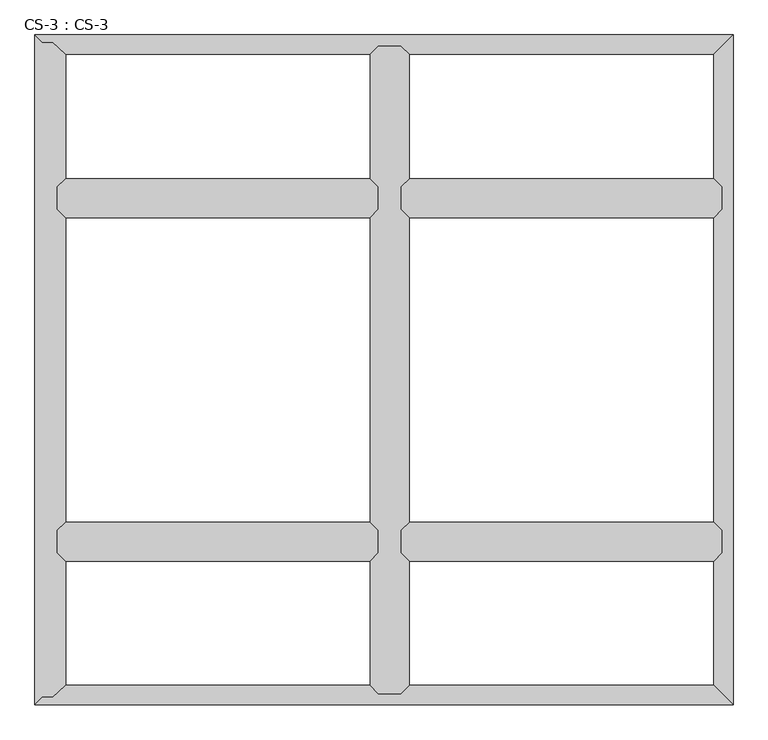
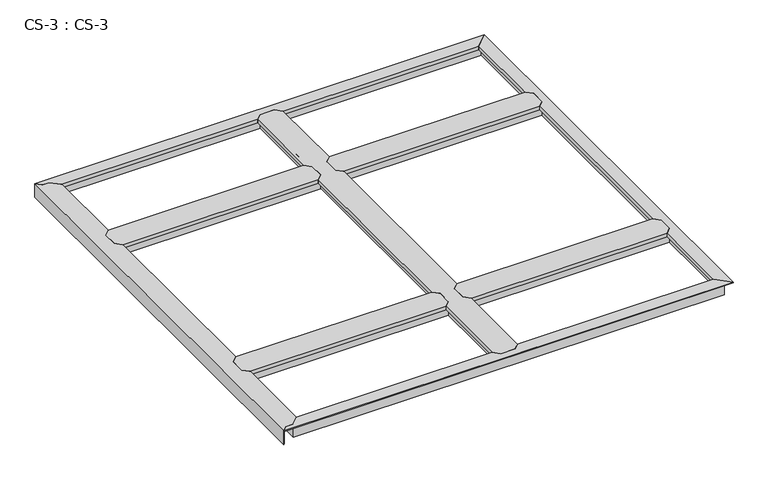
"""IFC4 building model written with IfcOpenShell, lengths in millimetres: proxy geometry, CS-3 : CS-3."""

from ifc_helpers import new_model, si_unit, origin, place, context, project, spatial, faceted_brep, source, transform, mapped, element, save


def cs_3_cs_3_360f7a2a(model_context):
    return source(origin(), model_context, "Body", "Brep", [
        faceted_brep([(1082.04, 1948.18, 46.355), (1082.04, 1948.18, 0.0), (1075.055, 1948.18, 0.0), (1075.055, 1948.18, 63.5), (1022.985, 1948.18, 63.5), (1022.985, 1948.18, 0.0), (1016.0, 1948.18, 0.0), (1016.0, 1948.18, 46.355), (1016.0, 1948.18, 66.675), (1082.04, 1948.18, 66.675), (1016.0, 33.02, 46.355), (1016.0, 33.02, 0.0), (1022.985, 33.02, 0.0), (1022.985, 33.02, 63.5), (1075.055, 33.02, 63.5), (1075.055, 33.02, 0.0), (1082.04, 33.02, 0.0), (1082.04, 33.02, 46.355), (1082.04, 33.02, 66.675), (1016.0, 33.02, 66.675), (991.362, 57.658, 49.8094), (991.362, 57.658, 66.675), (991.362, 424.942, 66.675), (991.362, 424.942, 49.8094), (991.362, 1923.542, 66.675), (991.362, 1923.542, 49.8094), (991.362, 1556.258, 49.8094), (991.362, 1556.258, 66.675), (991.362, 540.258, 49.8094), (991.362, 540.258, 66.675), (991.362, 1440.942, 66.675), (991.362, 1440.942, 49.8094), (992.886, 56.134, 49.8094), (992.886, 426.466, 49.8094), (992.886, 1925.066, 49.8094), (992.886, 1554.734, 49.8094), (992.886, 538.734, 49.8094), (992.886, 1442.466, 49.8094), (992.886, 56.134, 64.643), (992.886, 426.466, 64.643), (992.886, 1925.066, 64.643), (992.886, 1554.734, 64.643), (992.886, 538.734, 64.643), (992.886, 1442.466, 64.643), (1003.173, 45.847, 64.643), (1003.173, 436.753, 64.643), (1003.173, 1935.353, 64.643), (1003.173, 1544.447, 64.643), (1003.173, 528.447, 64.643), (1003.173, 1452.753, 64.643), (1003.173, 45.847, 46.355), (1003.173, 436.753, 46.355), (1003.173, 1935.353, 46.355), (1003.173, 1544.447, 46.355), (1003.173, 528.447, 46.355), (1003.173, 1452.753, 46.355), (1016.0, 449.58, 46.355), (1016.0, 1531.62, 46.355), (1016.0, 515.62, 46.355), (1016.0, 1465.58, 46.355), (1016.0, 449.58, 66.675), (1016.0, 515.62, 66.675), (1016.0, 1465.58, 66.675), (1016.0, 1531.62, 66.675), (1082.04, 1531.62, 46.355), (1082.04, 1531.62, 66.675), (1082.04, 1465.58, 66.675), (1082.04, 1465.58, 46.355), (1082.04, 515.62, 46.355), (1082.04, 515.62, 66.675), (1082.04, 449.58, 66.675), (1082.04, 449.58, 46.355), (1094.867, 45.847, 46.355), (1094.867, 436.753, 46.355), (1094.867, 1935.353, 46.355), (1094.867, 1544.447, 46.355), (1094.867, 528.447, 46.355), (1094.867, 1452.753, 46.355), (1094.867, 45.847, 64.643), (1094.867, 436.753, 64.643), (1094.867, 1935.353, 64.643), (1094.867, 1544.447, 64.643), (1094.867, 528.447, 64.643), (1094.867, 1452.753, 64.643), (1105.154, 56.134, 64.643), (1105.154, 426.466, 64.643), (1105.154, 1925.066, 64.643), (1105.154, 1554.734, 64.643), (1105.154, 538.734, 64.643), (1105.154, 1442.466, 64.643), (1105.154, 56.134, 49.8094), (1105.154, 426.466, 49.8094), (1105.154, 1925.066, 49.8094), (1105.154, 1554.734, 49.8094), (1105.154, 538.734, 49.8094), (1105.154, 1442.466, 49.8094), (1106.678, 57.658, 49.8094), (1106.678, 424.942, 49.8094), (1106.678, 1923.542, 49.8094), (1106.678, 1556.258, 49.8094), (1106.678, 540.258, 49.8094), (1106.678, 1440.942, 49.8094), (1106.678, 57.658, 66.675), (1106.678, 424.942, 66.675), (1106.678, 1923.542, 66.675), (1106.678, 1556.258, 66.675), (1106.678, 540.258, 66.675), (1106.678, 1440.942, 66.675)], [[[0, 1, 2, 3, 4, 5, 6, 7, 8, 9]], [[10, 11, 12, 13, 14, 15, 16, 17, 18, 19]], [[20, 21, 22, 23]], [[24, 25, 26, 27]], [[28, 29, 30, 31]], [[32, 20, 23, 33]], [[25, 34, 35, 26]], [[36, 28, 31, 37]], [[38, 32, 33, 39]], [[34, 40, 41, 35]], [[42, 36, 37, 43]], [[44, 38, 39, 45]], [[40, 46, 47, 41]], [[48, 42, 43, 49]], [[50, 44, 45, 51]], [[46, 52, 53, 47]], [[54, 48, 49, 55]], [[10, 50, 51, 56]], [[52, 7, 57, 53]], [[58, 54, 55, 59]], [[7, 6, 11, 10, 56, 60, 61, 58, 59, 62, 63, 57]], [[6, 5, 12, 11]], [[5, 4, 13, 12]], [[4, 3, 14, 13]], [[3, 2, 15, 14]], [[2, 1, 16, 15]], [[1, 0, 64, 65, 66, 67, 68, 69, 70, 71, 17, 16]], [[72, 17, 71, 73]], [[0, 74, 75, 64]], [[76, 68, 67, 77]], [[78, 72, 73, 79]], [[74, 80, 81, 75]], [[82, 76, 77, 83]], [[84, 78, 79, 85]], [[80, 86, 87, 81]], [[88, 82, 83, 89]], [[90, 84, 85, 91]], [[86, 92, 93, 87]], [[94, 88, 89, 95]], [[96, 90, 91, 97]], [[92, 98, 99, 93]], [[100, 94, 95, 101]], [[102, 96, 97, 103]], [[98, 104, 105, 99]], [[106, 100, 101, 107]], [[9, 8, 24, 27, 63, 62, 30, 29, 61, 60, 22, 21, 19, 18, 102, 103, 70, 69, 106, 107, 66, 65, 105, 104]], [[10, 19, 21, 20, 32, 38, 44, 50]], [[18, 17, 72, 78, 84, 90, 96, 102]], [[0, 9, 104, 98, 92, 86, 80, 74]], [[8, 7, 52, 46, 40, 34, 25, 24]], [[60, 56, 51, 45, 39, 33, 23, 22]], [[58, 61, 29, 28, 36, 42, 48, 54]], [[62, 59, 55, 49, 43, 37, 31, 30]], [[57, 63, 27, 26, 35, 41, 47, 53]], [[69, 68, 76, 82, 88, 94, 100, 106]], [[71, 70, 103, 97, 91, 85, 79, 73]], [[65, 64, 75, 81, 87, 93, 99, 105]], [[67, 66, 107, 101, 95, 89, 83, 77]]]),
        faceted_brep([(2032.0, 449.58, 46.355), (2032.0, 449.58, 0.0), (2032.0, 456.565, 0.0), (2032.0, 456.565, 63.5), (2032.0, 508.635, 63.5), (2032.0, 508.635, 0.0), (2032.0, 515.62, 0.0), (2032.0, 515.62, 46.355), (2032.0, 515.62, 66.675), (2032.0, 449.58, 66.675), (1082.04, 515.62, 46.355), (1082.04, 515.62, 0.0), (1082.04, 508.635, 0.0), (1082.04, 508.635, 63.5), (1082.04, 456.565, 63.5), (1082.04, 456.565, 0.0), (1082.04, 449.58, 0.0), (1082.04, 449.58, 46.355), (1082.04, 449.58, 66.675), (1082.04, 515.62, 66.675), (1106.678, 540.258, 66.675), (2007.362, 540.258, 66.675), (2007.362, 540.258, 49.8094), (1106.678, 540.258, 49.8094), (2008.886, 538.734, 49.8094), (1105.154, 538.734, 49.8094), (2008.886, 538.734, 64.643), (1105.154, 538.734, 64.643), (2019.173, 528.447, 64.643), (1094.867, 528.447, 64.643), (2019.173, 528.447, 46.355), (1094.867, 528.447, 46.355), (2019.173, 436.753, 46.355), (1094.867, 436.753, 46.355), (2019.173, 436.753, 64.643), (1094.867, 436.753, 64.643), (2008.886, 426.466, 64.643), (1105.154, 426.466, 64.643), (2008.886, 426.466, 49.8094), (1105.154, 426.466, 49.8094), (2007.362, 424.942, 49.8094), (1106.678, 424.942, 49.8094), (2007.362, 424.942, 66.675), (1106.678, 424.942, 66.675)], [[[0, 1, 2, 3, 4, 5, 6, 7, 8, 9]], [[10, 11, 12, 13, 14, 15, 16, 17, 18, 19]], [[20, 21, 22, 23]], [[23, 22, 24, 25]], [[25, 24, 26, 27]], [[27, 26, 28, 29]], [[29, 28, 30, 31]], [[7, 10, 31, 30]], [[7, 6, 11, 10]], [[6, 5, 12, 11]], [[5, 4, 13, 12]], [[4, 3, 14, 13]], [[3, 2, 15, 14]], [[2, 1, 16, 15]], [[1, 0, 17, 16]], [[17, 0, 32, 33]], [[33, 32, 34, 35]], [[35, 34, 36, 37]], [[37, 36, 38, 39]], [[39, 38, 40, 41]], [[41, 40, 42, 43]], [[9, 8, 21, 20, 19, 18, 43, 42]], [[10, 19, 20, 23, 25, 27, 29, 31]], [[18, 17, 33, 35, 37, 39, 41, 43]], [[0, 9, 42, 40, 38, 36, 34, 32]], [[8, 7, 30, 28, 26, 24, 22, 21]]]),
        faceted_brep([(2032.0, 1465.58, 46.355), (2032.0, 1465.58, 0.0), (2032.0, 1472.565, 0.0), (2032.0, 1472.565, 63.5), (2032.0, 1524.635, 63.5), (2032.0, 1524.635, 0.0), (2032.0, 1531.62, 0.0), (2032.0, 1531.62, 46.355), (2032.0, 1531.62, 66.675), (2032.0, 1465.58, 66.675), (1082.04, 1531.62, 46.355), (1082.04, 1531.62, 0.0), (1082.04, 1524.635, 0.0), (1082.04, 1524.635, 63.5), (1082.04, 1472.565, 63.5), (1082.04, 1472.565, 0.0), (1082.04, 1465.58, 0.0), (1082.04, 1465.58, 46.355), (1082.04, 1465.58, 66.675), (1082.04, 1531.62, 66.675), (1106.678, 1556.258, 66.675), (2007.362, 1556.258, 66.675), (2007.362, 1556.258, 49.8094), (1106.678, 1556.258, 49.8094), (2008.886, 1554.734, 49.8094), (1105.154, 1554.734, 49.8094), (2008.886, 1554.734, 64.643), (1105.154, 1554.734, 64.643), (2019.173, 1544.447, 64.643), (1094.867, 1544.447, 64.643), (2019.173, 1544.447, 46.355), (1094.867, 1544.447, 46.355), (2019.173, 1452.753, 46.355), (1094.867, 1452.753, 46.355), (2019.173, 1452.753, 64.643), (1094.867, 1452.753, 64.643), (2008.886, 1442.466, 64.643), (1105.154, 1442.466, 64.643), (2008.886, 1442.466, 49.8094), (1105.154, 1442.466, 49.8094), (2007.362, 1440.942, 49.8094), (1106.678, 1440.942, 49.8094), (2007.362, 1440.942, 66.675), (1106.678, 1440.942, 66.675)], [[[0, 1, 2, 3, 4, 5, 6, 7, 8, 9]], [[10, 11, 12, 13, 14, 15, 16, 17, 18, 19]], [[20, 21, 22, 23]], [[23, 22, 24, 25]], [[25, 24, 26, 27]], [[27, 26, 28, 29]], [[29, 28, 30, 31]], [[7, 10, 31, 30]], [[7, 6, 11, 10]], [[6, 5, 12, 11]], [[5, 4, 13, 12]], [[4, 3, 14, 13]], [[3, 2, 15, 14]], [[2, 1, 16, 15]], [[1, 0, 17, 16]], [[17, 0, 32, 33]], [[33, 32, 34, 35]], [[35, 34, 36, 37]], [[37, 36, 38, 39]], [[39, 38, 40, 41]], [[41, 40, 42, 43]], [[9, 8, 21, 20, 19, 18, 43, 42]], [[10, 19, 20, 23, 25, 27, 29, 31]], [[18, 17, 33, 35, 37, 39, 41, 43]], [[0, 9, 42, 40, 38, 36, 34, 32]], [[8, 7, 30, 28, 26, 24, 22, 21]]]),
        faceted_brep([(1016.0, 449.58, 46.355), (1016.0, 449.58, 0.0), (1016.0, 456.565, 0.0), (1016.0, 456.565, 63.5), (1016.0, 508.635, 63.5), (1016.0, 508.635, 0.0), (1016.0, 515.62, 0.0), (1016.0, 515.62, 46.355), (1016.0, 515.62, 66.675), (1016.0, 449.58, 66.675), (66.04, 515.62, 46.355), (66.04, 515.62, 0.0), (66.04, 508.635, 0.0), (66.04, 508.635, 63.5), (66.04, 456.565, 63.5), (66.04, 456.565, 0.0), (66.04, 449.58, 0.0), (66.04, 449.58, 46.355), (66.04, 449.58, 66.675), (66.04, 515.62, 66.675), (90.678, 540.258, 66.675), (991.362, 540.258, 66.675), (991.362, 540.258, 49.8094), (90.678, 540.258, 49.8094), (992.886, 538.734, 49.8094), (89.154, 538.734, 49.8094), (992.886, 538.734, 64.643), (89.154, 538.734, 64.643), (1003.173, 528.447, 64.643), (78.867, 528.447, 64.643), (1003.173, 528.447, 46.355), (78.867, 528.447, 46.355), (1003.173, 436.753, 46.355), (78.867, 436.753, 46.355), (1003.173, 436.753, 64.643), (78.867, 436.753, 64.643), (992.886, 426.466, 64.643), (89.154, 426.466, 64.643), (992.886, 426.466, 49.8094), (89.154, 426.466, 49.8094), (991.362, 424.942, 49.8094), (90.678, 424.942, 49.8094), (991.362, 424.942, 66.675), (90.678, 424.942, 66.675)], [[[0, 1, 2, 3, 4, 5, 6, 7, 8, 9]], [[10, 11, 12, 13, 14, 15, 16, 17, 18, 19]], [[20, 21, 22, 23]], [[23, 22, 24, 25]], [[25, 24, 26, 27]], [[27, 26, 28, 29]], [[29, 28, 30, 31]], [[7, 10, 31, 30]], [[7, 6, 11, 10]], [[6, 5, 12, 11]], [[5, 4, 13, 12]], [[4, 3, 14, 13]], [[3, 2, 15, 14]], [[2, 1, 16, 15]], [[1, 0, 17, 16]], [[17, 0, 32, 33]], [[33, 32, 34, 35]], [[35, 34, 36, 37]], [[37, 36, 38, 39]], [[39, 38, 40, 41]], [[41, 40, 42, 43]], [[9, 8, 21, 20, 19, 18, 43, 42]], [[10, 19, 20, 23, 25, 27, 29, 31]], [[18, 17, 33, 35, 37, 39, 41, 43]], [[0, 9, 42, 40, 38, 36, 34, 32]], [[8, 7, 30, 28, 26, 24, 22, 21]]]),
        faceted_brep([(1016.0, 1465.58, 46.355), (1016.0, 1465.58, 0.0), (1016.0, 1472.565, 0.0), (1016.0, 1472.565, 63.5), (1016.0, 1524.635, 63.5), (1016.0, 1524.635, 0.0), (1016.0, 1531.62, 0.0), (1016.0, 1531.62, 46.355), (1016.0, 1531.62, 66.675), (1016.0, 1465.58, 66.675), (66.04, 1531.62, 46.355), (66.04, 1531.62, 0.0), (66.04, 1524.635, 0.0), (66.04, 1524.635, 63.5), (66.04, 1472.565, 63.5), (66.04, 1472.565, 0.0), (66.04, 1465.58, 0.0), (66.04, 1465.58, 46.355), (66.04, 1465.58, 66.675), (66.04, 1531.62, 66.675), (90.678, 1556.258, 66.675), (991.362, 1556.258, 66.675), (991.362, 1556.258, 49.8094), (90.678, 1556.258, 49.8094), (992.886, 1554.734, 49.8094), (89.154, 1554.734, 49.8094), (992.886, 1554.734, 64.643), (89.154, 1554.734, 64.643), (1003.173, 1544.447, 64.643), (78.867, 1544.447, 64.643), (1003.173, 1544.447, 46.355), (78.867, 1544.447, 46.355), (1003.173, 1452.753, 46.355), (78.867, 1452.753, 46.355), (1003.173, 1452.753, 64.643), (78.867, 1452.753, 64.643), (992.886, 1442.466, 64.643), (89.154, 1442.466, 64.643), (992.886, 1442.466, 49.8094), (89.154, 1442.466, 49.8094), (991.362, 1440.942, 49.8094), (90.678, 1440.942, 49.8094), (991.362, 1440.942, 66.675), (90.678, 1440.942, 66.675)], [[[0, 1, 2, 3, 4, 5, 6, 7, 8, 9]], [[10, 11, 12, 13, 14, 15, 16, 17, 18, 19]], [[20, 21, 22, 23]], [[23, 22, 24, 25]], [[25, 24, 26, 27]], [[27, 26, 28, 29]], [[29, 28, 30, 31]], [[7, 10, 31, 30]], [[7, 6, 11, 10]], [[6, 5, 12, 11]], [[5, 4, 13, 12]], [[4, 3, 14, 13]], [[3, 2, 15, 14]], [[2, 1, 16, 15]], [[1, 0, 17, 16]], [[17, 0, 32, 33]], [[33, 32, 34, 35]], [[35, 34, 36, 37]], [[37, 36, 38, 39]], [[39, 38, 40, 41]], [[41, 40, 42, 43]], [[9, 8, 21, 20, 19, 18, 43, 42]], [[10, 19, 20, 23, 25, 27, 29, 31]], [[18, 17, 33, 35, 37, 39, 41, 43]], [[0, 9, 42, 40, 38, 36, 34, 32]], [[8, 7, 30, 28, 26, 24, 22, 21]]]),
        faceted_brep([(0.0, 0.0, 66.675), (2065.02, 0.0, 66.675), (2007.362, 57.658, 66.675), (1106.678, 57.658, 66.675), (1082.04, 33.02, 66.675), (1016.0, 33.02, 66.675), (991.362, 57.658, 66.675), (90.678, 57.658, 66.675), (53.34, 21.59, 66.675), (21.59, 21.59, 66.675), (0.0, 0.0, 63.5), (2065.02, 0.0, 63.5), (21.59, 21.59, 63.5), (53.34, 21.59, 63.5), (57.9415141, 26.035, 63.5), (2038.985, 26.035, 63.5), (2038.985, 26.035, 0.0), (57.9415141, 26.035, 0.0), (65.1724648, 33.02, 0.0), (2032.0, 33.02, 0.0), (2032.0, 33.02, 46.355), (65.1724648, 33.02, 46.355), (1016.0, 33.02, 46.355), (1082.04, 33.02, 46.355), (2019.173, 45.847, 46.355), (1094.867, 45.847, 46.355), (78.4511197, 45.847, 46.355), (1003.173, 45.847, 46.355), (2019.173, 45.847, 64.643), (1094.867, 45.847, 64.643), (78.4511197, 45.847, 64.643), (1003.173, 45.847, 64.643), (2008.886, 56.134, 64.643), (1105.154, 56.134, 64.643), (89.100338, 56.134, 64.643), (992.886, 56.134, 64.643), (2008.886, 56.134, 49.8094), (1105.154, 56.134, 49.8094), (89.100338, 56.134, 49.8094), (992.886, 56.134, 49.8094), (2007.362, 57.658, 49.8094), (1106.678, 57.658, 49.8094), (90.678, 57.658, 49.8094), (991.362, 57.658, 49.8094)], [[[0, 1, 2, 3, 4, 5, 6, 7, 8, 9]], [[1, 0, 10, 11]], [[11, 10, 12, 13, 14, 15]], [[16, 15, 14, 17]], [[18, 19, 16, 17]], [[20, 19, 18, 21, 22, 5, 4, 23]], [[24, 20, 23, 25]], [[21, 26, 27, 22]], [[28, 24, 25, 29]], [[26, 30, 31, 27]], [[32, 28, 29, 33]], [[30, 34, 35, 31]], [[36, 32, 33, 37]], [[34, 38, 39, 35]], [[40, 36, 37, 41]], [[38, 42, 43, 39]], [[2, 40, 41, 3]], [[42, 7, 6, 43]], [[2, 1, 11, 15, 16, 19, 20, 24, 28, 32, 36, 40]], [[12, 9, 8, 13]], [[13, 8, 7, 42, 38, 34, 30, 26, 21, 18, 17, 14]], [[9, 12, 10, 0]], [[5, 22, 27, 31, 35, 39, 43, 6]], [[23, 4, 3, 41, 37, 33, 29, 25]]]),
        faceted_brep([(2065.02, 0.0, 66.675), (2065.02, 1981.2, 66.675), (2007.362, 1923.542, 66.675), (2007.362, 1556.258, 66.675), (2032.0, 1531.62, 66.675), (2032.0, 1465.58, 66.675), (2007.362, 1440.942, 66.675), (2007.362, 540.258, 66.675), (2032.0, 515.62, 66.675), (2032.0, 449.58, 66.675), (2007.362, 424.942, 66.675), (2007.362, 57.658, 66.675), (2065.02, 0.0, 63.5), (2065.02, 1981.2, 63.5), (2038.985, 26.035, 63.5), (2038.985, 1955.165, 63.5), (2038.985, 1955.165, 0.0), (2038.985, 26.035, 0.0), (2032.0, 33.02, 0.0), (2032.0, 1948.18, 0.0), (2032.0, 1948.18, 46.355), (2032.0, 33.02, 46.355), (2032.0, 449.58, 46.355), (2032.0, 515.62, 46.355), (2032.0, 1465.58, 46.355), (2032.0, 1531.62, 46.355), (2019.173, 1935.353, 46.355), (2019.173, 1544.447, 46.355), (2019.173, 45.847, 46.355), (2019.173, 436.753, 46.355), (2019.173, 1452.753, 46.355), (2019.173, 528.447, 46.355), (2019.173, 1935.353, 64.643), (2019.173, 1544.447, 64.643), (2019.173, 45.847, 64.643), (2019.173, 436.753, 64.643), (2019.173, 1452.753, 64.643), (2019.173, 528.447, 64.643), (2008.886, 1925.066, 64.643), (2008.886, 1554.734, 64.643), (2008.886, 56.134, 64.643), (2008.886, 426.466, 64.643), (2008.886, 1442.466, 64.643), (2008.886, 538.734, 64.643), (2008.886, 1925.066, 49.8094), (2008.886, 1554.734, 49.8094), (2008.886, 56.134, 49.8094), (2008.886, 426.466, 49.8094), (2008.886, 1442.466, 49.8094), (2008.886, 538.734, 49.8094), (2007.362, 1923.542, 49.8094), (2007.362, 1556.258, 49.8094), (2007.362, 57.658, 49.8094), (2007.362, 424.942, 49.8094), (2007.362, 1440.942, 49.8094), (2007.362, 540.258, 49.8094)], [[[0, 1, 2, 3, 4, 5, 6, 7, 8, 9, 10, 11]], [[1, 0, 12, 13]], [[13, 12, 14, 15]], [[16, 15, 14, 17]], [[18, 19, 16, 17]], [[20, 19, 18, 21, 22, 9, 8, 23, 24, 5, 4, 25]], [[26, 20, 25, 27]], [[21, 28, 29, 22]], [[30, 24, 23, 31]], [[32, 26, 27, 33]], [[28, 34, 35, 29]], [[36, 30, 31, 37]], [[38, 32, 33, 39]], [[34, 40, 41, 35]], [[42, 36, 37, 43]], [[44, 38, 39, 45]], [[40, 46, 47, 41]], [[48, 42, 43, 49]], [[50, 44, 45, 51]], [[46, 52, 53, 47]], [[54, 48, 49, 55]], [[2, 50, 51, 3]], [[52, 11, 10, 53]], [[6, 54, 55, 7]], [[2, 1, 13, 15, 16, 19, 20, 26, 32, 38, 44, 50]], [[0, 11, 52, 46, 40, 34, 28, 21, 18, 17, 14, 12]], [[5, 24, 30, 36, 42, 48, 54, 6]], [[25, 4, 3, 51, 45, 39, 33, 27]], [[9, 22, 29, 35, 41, 47, 53, 10]], [[23, 8, 7, 55, 49, 43, 37, 31]]]),
        faceted_brep([(2065.02, 1981.2, 66.675), (0.0, 1981.2, 66.675), (21.59, 1959.61, 66.675), (53.34, 1959.61, 66.675), (90.678, 1923.542, 66.675), (991.362, 1923.542, 66.675), (1016.0, 1948.18, 66.675), (1082.04, 1948.18, 66.675), (1106.678, 1923.542, 66.675), (2007.362, 1923.542, 66.675), (2065.02, 1981.2, 63.5), (0.0, 1981.2, 63.5), (2038.985, 1955.165, 63.5), (57.9415141, 1955.165, 63.5), (53.34, 1959.61, 63.5), (21.59, 1959.61, 63.5), (57.9415141, 1955.165, 0.0), (2038.985, 1955.165, 0.0), (2032.0, 1948.18, 0.0), (65.1724648, 1948.18, 0.0), (65.1724648, 1948.18, 46.355), (2032.0, 1948.18, 46.355), (1082.04, 1948.18, 46.355), (1016.0, 1948.18, 46.355), (78.4511197, 1935.353, 46.355), (1003.173, 1935.353, 46.355), (2019.173, 1935.353, 46.355), (1094.867, 1935.353, 46.355), (78.4511197, 1935.353, 64.643), (1003.173, 1935.353, 64.643), (2019.173, 1935.353, 64.643), (1094.867, 1935.353, 64.643), (89.100338, 1925.066, 64.643), (992.886, 1925.066, 64.643), (2008.886, 1925.066, 64.643), (1105.154, 1925.066, 64.643), (89.100338, 1925.066, 49.8094), (992.886, 1925.066, 49.8094), (2008.886, 1925.066, 49.8094), (1105.154, 1925.066, 49.8094), (90.678, 1923.542, 49.8094), (991.362, 1923.542, 49.8094), (2007.362, 1923.542, 49.8094), (1106.678, 1923.542, 49.8094)], [[[0, 1, 2, 3, 4, 5, 6, 7, 8, 9]], [[1, 0, 10, 11]], [[11, 10, 12, 13, 14, 15]], [[16, 13, 12, 17]], [[18, 19, 16, 17]], [[20, 19, 18, 21, 22, 7, 6, 23]], [[24, 20, 23, 25]], [[21, 26, 27, 22]], [[28, 24, 25, 29]], [[26, 30, 31, 27]], [[32, 28, 29, 33]], [[30, 34, 35, 31]], [[36, 32, 33, 37]], [[34, 38, 39, 35]], [[40, 36, 37, 41]], [[38, 42, 43, 39]], [[4, 40, 41, 5]], [[42, 9, 8, 43]], [[15, 2, 1, 11]], [[3, 14, 13, 16, 19, 20, 24, 28, 32, 36, 40, 4]], [[2, 15, 14, 3]], [[0, 9, 42, 38, 34, 30, 26, 21, 18, 17, 12, 10]], [[7, 22, 27, 31, 35, 39, 43, 8]], [[23, 6, 5, 41, 37, 33, 29, 25]]]),
        faceted_brep([(0.0, 0.0, 0.0), (0.0, 1981.2, 0.0), (6.985, 1974.215, 0.0), (6.985, 6.985, 0.0), (6.985, 6.985, 63.5), (6.985, 1974.215, 63.5), (21.59, 21.59, 63.5), (21.59, 1959.61, 63.5), (53.34, 1959.61, 63.5), (59.055, 1954.0893878, 63.5), (59.055, 27.1106122, 63.5), (53.34, 21.59, 63.5), (59.055, 27.1106122, 0.0), (59.055, 1954.0893878, 0.0), (66.04, 1947.3419728, 0.0), (66.04, 33.8580272, 0.0), (66.04, 33.8580272, 46.355), (66.04, 1947.3419728, 46.355), (66.04, 1531.62, 46.355), (66.04, 1531.62, 66.675), (66.04, 1465.58, 66.675), (66.04, 1465.58, 46.355), (66.04, 515.62, 46.355), (66.04, 515.62, 66.675), (66.04, 449.58, 66.675), (66.04, 449.58, 46.355), (78.867, 46.2487347, 46.355), (78.867, 436.753, 46.355), (78.867, 1934.9512653, 46.355), (78.867, 1544.447, 46.355), (78.867, 528.447, 46.355), (78.867, 1452.753, 46.355), (78.867, 46.2487347, 63.5), (78.867, 436.753, 63.5), (78.867, 1934.9512653, 63.5), (78.867, 1544.447, 63.5), (78.867, 528.447, 63.5), (78.867, 1452.753, 63.5), (89.154, 56.1858367, 63.5), (89.154, 426.466, 63.5), (89.154, 1925.0141633, 63.5), (89.154, 1554.734, 63.5), (89.154, 538.734, 63.5), (89.154, 1442.466, 63.5), (89.154, 56.1858367, 49.8094), (89.154, 426.466, 49.8094), (89.154, 1925.0141633, 49.8094), (89.154, 1554.734, 49.8094), (89.154, 538.734, 49.8094), (89.154, 1442.466, 49.8094), (90.678, 57.658, 49.8094), (90.678, 424.942, 49.8094), (90.678, 1923.542, 49.8094), (90.678, 1556.258, 49.8094), (90.678, 540.258, 49.8094), (90.678, 1440.942, 49.8094), (90.678, 57.658, 66.675), (90.678, 424.942, 66.675), (90.678, 1923.542, 66.675), (90.678, 1556.258, 66.675), (90.678, 540.258, 66.675), (90.678, 1440.942, 66.675), (0.0, 1981.2, 66.675), (0.0, 0.0, 66.675), (21.59, 21.59, 66.675), (53.34, 21.59, 66.675), (53.34, 1959.61, 66.675), (21.59, 1959.61, 66.675)], [[[0, 1, 2, 3]], [[4, 3, 2, 5]], [[6, 4, 5, 7, 8, 9, 10, 11]], [[12, 10, 9, 13]], [[14, 15, 12, 13]], [[16, 15, 14, 17, 18, 19, 20, 21, 22, 23, 24, 25]], [[26, 16, 25, 27]], [[17, 28, 29, 18]], [[30, 22, 21, 31]], [[32, 26, 27, 33]], [[28, 34, 35, 29]], [[36, 30, 31, 37]], [[38, 32, 33, 39]], [[34, 40, 41, 35]], [[42, 36, 37, 43]], [[44, 38, 39, 45]], [[40, 46, 47, 41]], [[48, 42, 43, 49]], [[50, 44, 45, 51]], [[46, 52, 53, 47]], [[54, 48, 49, 55]], [[56, 50, 51, 57]], [[52, 58, 59, 53]], [[60, 54, 55, 61]], [[62, 63, 64, 65, 56, 57, 24, 23, 60, 61, 20, 19, 59, 58, 66, 67]], [[1, 0, 63, 62]], [[6, 64, 63, 0, 3, 4]], [[65, 11, 10, 12, 15, 16, 26, 32, 38, 44, 50, 56]], [[64, 6, 11, 65]], [[7, 67, 66, 8]], [[8, 66, 58, 52, 46, 40, 34, 28, 17, 14, 13, 9]], [[67, 7, 5, 2, 1, 62]], [[23, 22, 30, 36, 42, 48, 54, 60]], [[25, 24, 57, 51, 45, 39, 33, 27]], [[19, 18, 29, 35, 41, 47, 53, 59]], [[21, 20, 61, 55, 49, 43, 37, 31]]]),
    ])


if __name__ == "__main__":
    model = new_model("IFC4")
    model_context = context("Model", 3, world=origin())
    ifc_project = project(units=[si_unit("LENGTHUNIT", "METRE", prefix="MILLI")], contexts=[model_context])
    site = spatial("IfcSite", under=ifc_project)
    building = spatial("IfcBuilding", under=site)
    placement = place(None, origin())
    cs_3_cs_3_shape = cs_3_cs_3_360f7a2a(model_context)
    element("IfcBuildingElementProxy", 1, Name="CS-3 : CS-3", ObjectType="CS-3 : CS-3", at=placement, inside=building, context=model_context, shape_type="MappedRepresentation", body=[
        mapped(cs_3_cs_3_shape, transform((0.0, 0.0, 0.0), x_axis=(1.0, 0.0, 0.0), y_axis=(0.0, 1.0, 0.0), z_axis=(0.0, 0.0, 1.0))),
    ])
    save(model, "model.ifc")
